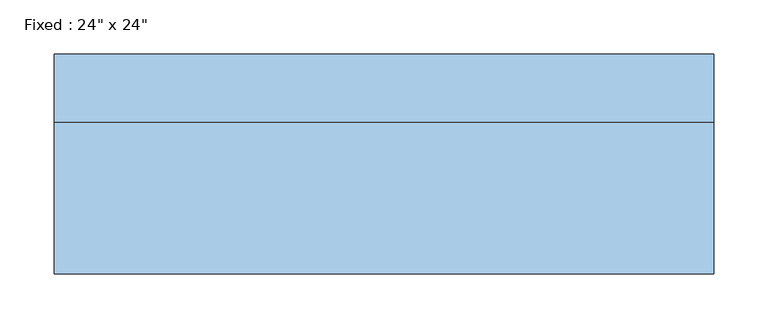
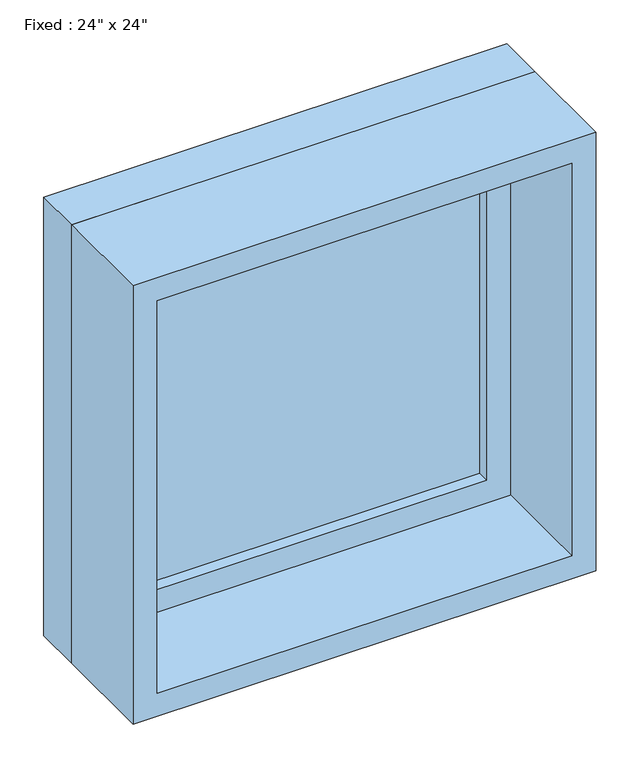
"""IFC4 building model written with IfcOpenShell, lengths in millimetres: window geometry."""

from ifc_helpers import new_model, si_unit, frame, origin, place, context, project, spatial, polyline, outline, extrude, source, transform, mapped, element, save


def window_6846e476(model_context):
    return source(origin(), model_context, "Body", "SweptSolid", [
        extrude(outline(polyline([(203.2, 53.975), (-279.4, 53.975), (-279.4, 66.675), (203.2, 66.675), (203.2, 53.975)])), frame((0.0, 0.0, 977.9), z_axis=(0.0, 0.0, 1.0), x_axis=(1.0, 0.0, 0.0)), (0.0, 0.0, 1.0), 482.6),
        extrude(outline(polyline([(1504.95, -323.85), (933.45, -323.85), (933.45, 247.65), (1504.95, 247.65), (1504.95, -323.85)]), holes=[polyline([(1460.5, -279.4), (1460.5, 203.2), (977.9, 203.2), (977.9, -279.4), (1460.5, -279.4)])]), frame((0.0, 38.1, 0.0), z_axis=(0.0, 1.0, 0.0), x_axis=(0.0, 0.0, 1.0)), (0.0, 0.0, 1.0), 44.45),
        extrude(outline(polyline([(1524.0, -342.9), (914.4, -342.9), (914.4, 266.7), (1524.0, 266.7), (1524.0, -342.9)]), holes=[polyline([(1492.25, -311.15), (1492.25, 234.95), (946.15, 234.95), (946.15, -311.15), (1492.25, -311.15)])]), frame((0.0, -101.6, 0.0), z_axis=(0.0, 1.0, 0.0), x_axis=(0.0, 0.0, 1.0)), (0.0, 0.0, 1.0), 139.7),
        extrude(outline(polyline([(1524.0, 266.7), (1524.0, -342.9), (914.4, -342.9), (914.4, 266.7), (1524.0, 266.7)]), holes=[polyline([(1504.95, 247.65), (933.45, 247.65), (933.45, -323.85), (1504.95, -323.85), (1504.95, 247.65)])]), frame((0.0, 38.1, 0.0), z_axis=(0.0, 1.0, 0.0), x_axis=(0.0, 0.0, 1.0)), (0.0, 0.0, 1.0), 63.5),
    ])


if __name__ == "__main__":
    model = new_model("IFC4")
    model_context = context("Model", 3, world=origin())
    ifc_project = project(units=[si_unit("LENGTHUNIT", "METRE", prefix="MILLI")], contexts=[model_context])
    site = spatial("IfcSite", under=ifc_project)
    building = spatial("IfcBuilding", under=site)
    placement = place(None, origin())
    window_shape = window_6846e476(model_context)
    element("IfcWindow", 1, ObjectType="Fixed : 24\" x 24\"", at=placement, inside=building, context=model_context, shape_type="MappedRepresentation", body=[
        mapped(window_shape, transform((0.0, 0.0, 0.0), x_axis=(1.0, 0.0, 0.0), y_axis=(0.0, 1.0, 0.0), z_axis=(0.0, 0.0, 1.0))),
    ])
    save(model, "model.ifc")
